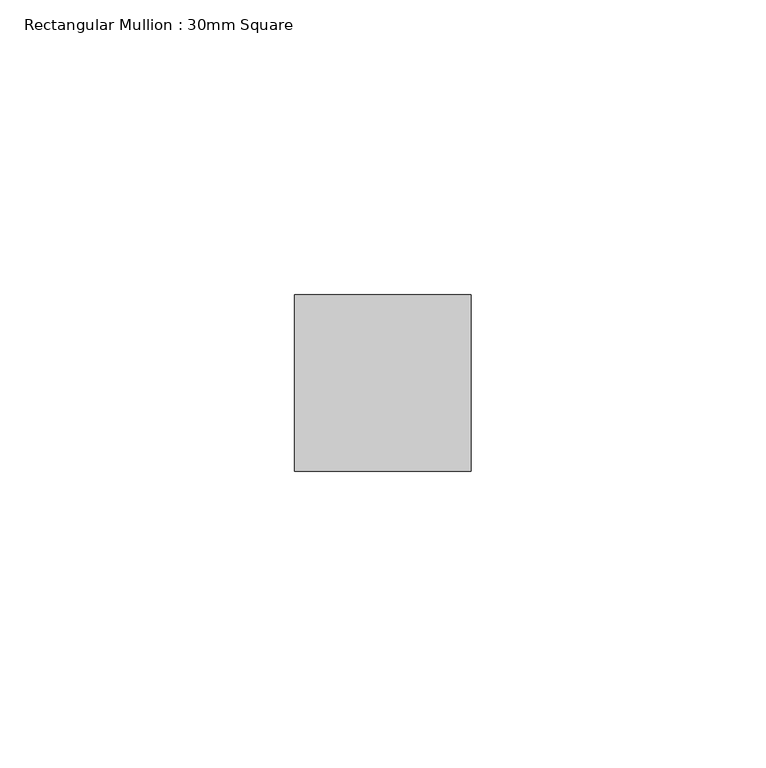
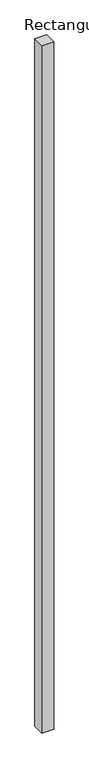
"""IFC4 building model written with IfcOpenShell, lengths in millimetres: member geometry, Rectangular Mullion : 30mm Square."""

from ifc_helpers import new_model, si_unit, frame, origin, place, context, project, spatial, polyline, outline, extrude, source, transform, mapped, element, save


def rectangular_mullion_30mm_square_dad01cb4(model_context):
    return source(origin(), model_context, "Body", "SweptSolid", [
        extrude(outline(polyline([(0.0, 15.0), (0.0, -15.0), (-30.0, -15.0), (-30.0, 15.0), (0.0, 15.0)])), frame((0.0, 0.0, -1832.2157213), z_axis=(0.0, 0.0, 1.0), x_axis=(1.0, 0.0, 0.0)), (0.0, 0.0, 1.0), 1832.2157213),
    ])


if __name__ == "__main__":
    model = new_model("IFC4")
    model_context = context("Model", 3, world=origin())
    ifc_project = project(units=[si_unit("LENGTHUNIT", "METRE", prefix="MILLI")], contexts=[model_context])
    site = spatial("IfcSite", under=ifc_project)
    building = spatial("IfcBuilding", under=site)
    placement = place(None, origin())
    rectangular_mullion_30mm_square_shape = rectangular_mullion_30mm_square_dad01cb4(model_context)
    element("IfcMember", 1, ObjectType="Rectangular Mullion : 30mm Square", at=placement, inside=building, context=model_context, shape_type="MappedRepresentation", body=[
        mapped(rectangular_mullion_30mm_square_shape, transform((0.0, 0.0, 0.0), x_axis=(1.0, 0.0, 0.0), y_axis=(0.0, 1.0, 0.0), z_axis=(0.0, 0.0, 1.0))),
    ])
    save(model, "model.ifc")
